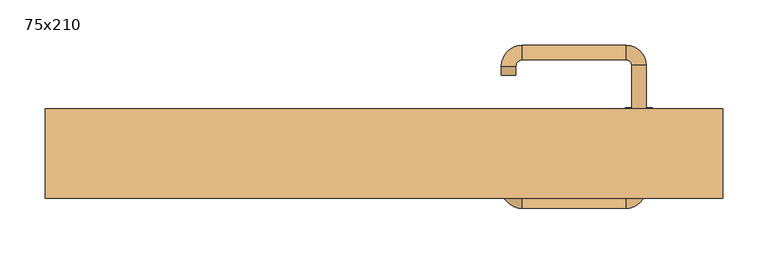
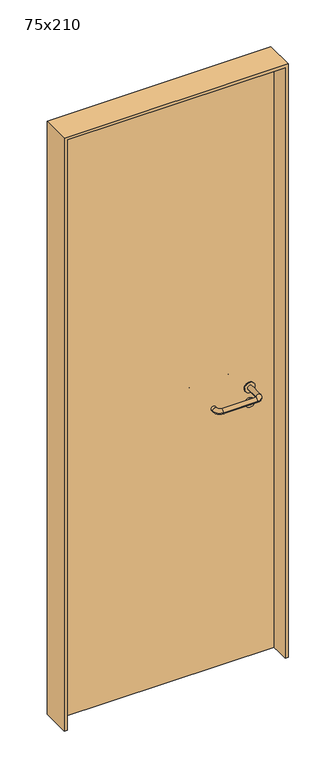
"""IFC4 building model written with IfcOpenShell, lengths in millimetres: door geometry, 75x210."""

from ifc_helpers import new_model, si_unit, point, frame, frame_2d, origin, origin_with_axes, place, context, project, spatial, polyline, circle_curve, ellipse_curve, trimmed, segment, composite_curve, outline, extrude, source, transform, mapped, element, save
from ifc_brep_helpers import plane_surface, cylinder_surface, revolved_surface, advanced_brep


def door_75x210_782f1913(model_context):
    return source(origin(), model_context, "Body", "SolidModel", [
        extrude(outline(composite_curve([segment(trimmed(circle_curve(frame_2d((897.3605726, 282.0)), 15.0), [point((897.3605726, 297.0))], [point((897.3605726, 267.0))], False, "CARTESIAN"), True, "CONTINUOUS"), segment(trimmed(circle_curve(frame_2d((897.3605726, 282.0)), 15.0), [point((897.3605726, 267.0))], [point((897.3605726, 297.0))], False, "CARTESIAN"), True, "CONTINUOUS")], self_intersect=False), holes=[composite_curve([segment(trimmed(circle_curve(frame_2d((892.5833211, 281.9398032)), 2.0), [point((892.5833211, 283.9398032))], [point((892.5833211, 279.9398032))], True, "CARTESIAN"), True, "CONTINUOUS"), segment(polyline([(892.5833211, 279.9398032), (902.5833211, 279.9398032)]), True, "CONTINUOUS"), segment(trimmed(circle_curve(frame_2d((902.5833211, 281.9398032)), 2.0), [point((902.5833211, 279.9398032))], [point((902.5833211, 283.9398032))], True, "CARTESIAN"), True, "CONTINUOUS"), segment(polyline([(902.5833211, 283.9398032), (892.5833211, 283.9398032)]), True, "CONTINUOUS")], self_intersect=False)]), frame((0.0, 8.65, 0.0), z_axis=(0.0, 1.0, 0.0), x_axis=(0.0, 0.0, 1.0)), (0.0, 0.0, 1.0), 6.35),
        extrude(outline(composite_curve([segment(trimmed(circle_curve(frame_2d((950.0, 282.0)), 17.526), [point((950.0, 299.526))], [point((950.0, 264.474))], False, "CARTESIAN"), True, "CONTINUOUS"), segment(trimmed(circle_curve(frame_2d((950.0, 282.0)), 17.526), [point((950.0, 264.474))], [point((950.0, 299.526))], False, "CARTESIAN"), True, "CONTINUOUS")], self_intersect=False)), frame((0.0, 11.825, 0.0), z_axis=(0.0, 1.0, 0.0), x_axis=(0.0, 0.0, 1.0)), (0.0, 0.0, 1.0), 3.175),
        advanced_brep(
        [(290.0, 15.0, 950.0), (274.0, 15.0, 950.0), (274.0, -38.0, 950.0), (290.0, -38.0, 950.0), (267.8578644, -44.1421356, 950.0), (267.8578644, -60.1421356, 950.0), (152.8578644, -44.1421356, 950.0), (152.8578644, -60.1421356, 950.0), (146.008622, -37.2928932, 950.0), (130.008622, -37.2928932, 950.0), (130.008622, -27.2928932, 950.0), (146.008622, -27.2928932, 950.0)],
        [
            (0, 1, circle_curve(frame((282.0, 15.0, 950.0), z_axis=(0.0, 1.0, 0.0), x_axis=(-1.0, 0.0, 0.0)), 8.0)),
            (1, 0, circle_curve(frame((282.0, 15.0, 950.0), z_axis=(0.0, 1.0, 0.0), x_axis=(-1.0, 0.0, 0.0)), 8.0)),
            (1, 2),
            (2, 3, circle_curve(frame((282.0, -38.0, 950.0), z_axis=(0.0, 1.0, 0.0), x_axis=(-1.0, 0.0, 0.0)), 8.0)),
            (3, 0),
            (3, 2, circle_curve(frame((282.0, -38.0, 950.0), z_axis=(0.0, 1.0, 0.0), x_axis=(-1.0, 0.0, 0.0)), 8.0)),
            (4, 5, circle_curve(frame((267.8578644, -52.1421356, 950.0), z_axis=(1.0, 0.0, 0.0), x_axis=(0.0, 1.0, 0.0)), 8.0)),
            (5, 3, circle_curve(frame((267.8578644, -38.0, 950.0), z_axis=(0.0, 0.0, 1.0), x_axis=(1.0, 0.0, 0.0)), 22.1421356)),
            (2, 4, circle_curve(frame((267.8578644, -38.0, 950.0), z_axis=(0.0, 0.0, -1.0), x_axis=(1.0, 0.0, 0.0)), 6.1421356)),
            (5, 4, circle_curve(frame((267.8578644, -52.1421356, 950.0), z_axis=(1.0, 0.0, 0.0), x_axis=(0.0, 1.0, 0.0)), 8.0)),
            (4, 6),
            (6, 7, circle_curve(frame((152.8578644, -52.1421356, 950.0), z_axis=(1.0, 0.0, 0.0), x_axis=(0.0, 1.0, 0.0)), 8.0)),
            (7, 5),
            (7, 6, circle_curve(frame((152.8578644, -52.1421356, 950.0), z_axis=(1.0, 0.0, 0.0), x_axis=(0.0, 1.0, 0.0)), 8.0)),
            (8, 9, circle_curve(frame((138.008622, -37.2928932, 950.0), z_axis=(0.0, -1.0, 0.0), x_axis=(1.0, 0.0, 0.0)), 8.0)),
            (9, 7, circle_curve(frame((152.8578644, -37.2928932, 950.0), z_axis=(0.0, 0.0, 1.0), x_axis=(0.0, -1.0, 0.0)), 22.8492424)),
            (6, 8, circle_curve(frame((152.8578644, -37.2928932, 950.0), z_axis=(0.0, 0.0, -1.0), x_axis=(0.0, -1.0, 0.0)), 6.8492424)),
            (9, 8, circle_curve(frame((138.008622, -37.2928932, 950.0), z_axis=(0.0, -1.0, 0.0), x_axis=(1.0, 0.0, 0.0)), 8.0)),
            (10, 11, circle_curve(frame((138.008622, -27.2928932, 950.0), z_axis=(0.0, 1.0, 0.0), x_axis=(1.0, 0.0, 0.0)), 8.0)),
            (11, 10, circle_curve(frame((138.008622, -27.2928932, 950.0), z_axis=(0.0, 1.0, 0.0), x_axis=(1.0, 0.0, 0.0)), 8.0)),
            (8, 11),
            (10, 9),
        ],
        [
            plane_surface(frame((282.0, 15.0, 0.0), z_axis=(0.0, 1.0, 0.0), x_axis=(0.0, 0.0, 1.0))),
            cylinder_surface(frame((282.0, 15.0, 950.0), z_axis=(0.0, 1.0, 0.0), x_axis=(-1.0, 0.0, 0.0)), 8.0),
            revolved_surface(trimmed(ellipse_curve(frame((282.0, -38.0, 950.0), z_axis=(0.0, -1.0, 0.0), x_axis=(-1.0, 0.0, 0.0)), 8.0, 8.0), [point((290.0, -38.0, 950.0))], [point((274.0, -38.0, 950.0))], True, "CARTESIAN"), (267.8578644, -38.0, 0.0), (0.0, 0.0, 1.0)),
            revolved_surface(trimmed(ellipse_curve(frame((282.0, -38.0, 950.0), z_axis=(0.0, -1.0, 0.0), x_axis=(-1.0, 0.0, 0.0)), 8.0, 8.0), [point((274.0, -38.0, 950.0))], [point((290.0, -38.0, 950.0))], True, "CARTESIAN"), (267.8578644, -38.0, 0.0), (0.0, 0.0, 1.0)),
            cylinder_surface(frame((267.8578644, -52.1421356, 950.0), z_axis=(1.0, 0.0, 0.0), x_axis=(0.0, 1.0, 0.0)), 8.0),
            revolved_surface(trimmed(ellipse_curve(frame((152.8578644, -52.1421356, 950.0), z_axis=(-1.0, 0.0, 0.0), x_axis=(0.0, 1.0, 0.0)), 8.0, 8.0), [point((152.8578644, -60.1421356, 950.0))], [point((152.8578644, -44.1421356, 950.0))], True, "CARTESIAN"), (152.8578644, -37.2928932, 0.0), (0.0, 0.0, 1.0)),
            revolved_surface(trimmed(ellipse_curve(frame((152.8578644, -52.1421356, 950.0), z_axis=(-1.0, 0.0, 0.0), x_axis=(0.0, 1.0, 0.0)), 8.0, 8.0), [point((152.8578644, -44.1421356, 950.0))], [point((152.8578644, -60.1421356, 950.0))], True, "CARTESIAN"), (152.8578644, -37.2928932, 0.0), (0.0, 0.0, 1.0)),
            plane_surface(frame((138.008622, -27.2928932, 0.0), z_axis=(0.0, 1.0, 0.0), x_axis=(0.0, 0.0, 1.0))),
            cylinder_surface(frame((138.008622, -37.2928932, 950.0), z_axis=(0.0, -1.0, 0.0), x_axis=(1.0, 0.0, 0.0)), 8.0),
        ],
        [
            (0, [[1, 2]]),
            (1, [[3, 4, 5, -2]]),
            (1, [[-5, 6, -3, -1]]),
            (2, [[7, 8, -4, 9]]),
            (3, [[10, -9, -6, -8]]),
            (4, [[11, 12, 13, -7]]),
            (4, [[-13, 14, -11, -10]]),
            (5, [[15, 16, -12, 17]]),
            (6, [[18, -17, -14, -16]]),
            (7, [[19, 20]]),
            (8, [[21, -19, 22, -15]]),
            (8, [[-22, -20, -21, -18]]),
        ],
    ),
        extrude(outline(composite_curve([segment(trimmed(circle_curve(frame_2d((0.0, -15.0)), 15.0), [point((0.0, -30.0))], [point((0.0, 0.0))], False, "CARTESIAN"), True, "CONTINUOUS"), segment(trimmed(circle_curve(frame_2d((0.0, -15.0)), 15.0), [point((0.0, 0.0))], [point((0.0, -30.0))], False, "CARTESIAN"), True, "CONTINUOUS")], self_intersect=False), holes=[composite_curve([segment(trimmed(circle_curve(frame_2d((4.7772515, -14.9398032)), 2.0), [point((4.7772515, -16.9398032))], [point((4.7772515, -12.9398032))], True, "CARTESIAN"), True, "CONTINUOUS"), segment(polyline([(4.7772515, -12.9398032), (-5.2227485, -12.9398032)]), True, "CONTINUOUS"), segment(trimmed(circle_curve(frame_2d((-5.2227485, -14.9398032)), 2.0), [point((-5.2227485, -12.9398032))], [point((-5.2227485, -16.9398032))], True, "CARTESIAN"), True, "CONTINUOUS"), segment(polyline([(-5.2227485, -16.9398032), (4.7772515, -16.9398032)]), True, "CONTINUOUS")], self_intersect=False)]), frame((267.0, 45.0, 897.3605726), z_axis=(1.8870575173328306e-12, 1.0, 0.0), x_axis=(0.0, 0.0, -1.0)), (0.0, 0.0, 1.0), 6.35),
        extrude(outline(composite_curve([segment(trimmed(circle_curve(frame_2d((0.0, -17.526)), 17.526), [point((0.0, -35.052))], [point((0.0, 0.0))], False, "CARTESIAN"), True, "CONTINUOUS"), segment(trimmed(circle_curve(frame_2d((0.0, -17.526)), 17.526), [point((0.0, 0.0))], [point((0.0, -35.052))], False, "CARTESIAN"), True, "CONTINUOUS")], self_intersect=False)), frame((264.474, 45.0, 950.0), z_axis=(1.8870575173328306e-12, 1.0, 0.0), x_axis=(0.0, 0.0, -1.0)), (0.0, 0.0, 1.0), 3.175),
        advanced_brep(
        [(290.0, 45.0, 950.0), (274.0, 45.0, 950.0), (290.0, 98.0, 950.0), (274.0, 98.0, 950.0), (267.8578644, 104.1421356, 950.0), (267.8578644, 120.1421356, 950.0), (152.8578644, 120.1421356, 950.0), (152.8578644, 104.1421356, 950.0), (146.008622, 97.2928932, 950.0), (130.008622, 97.2928932, 950.0), (130.008622, 87.2928932, 950.0), (146.008622, 87.2928932, 950.0)],
        [
            (0, 1, circle_curve(frame((282.0, 45.0, 950.0), z_axis=(-1.888672253512351e-12, -1.0, 0.0), x_axis=(-1.0, 1.888672253512351e-12, 0.0)), 8.0)),
            (1, 0, circle_curve(frame((282.0, 45.0, 950.0), z_axis=(-1.888672253512351e-12, -1.0, 0.0), x_axis=(-1.0, 1.888672253512351e-12, 0.0)), 8.0)),
            (0, 2),
            (2, 3, circle_curve(frame((282.0, 98.0, 950.0), z_axis=(-1.888672253512351e-12, -1.0, 0.0), x_axis=(-1.0, 1.888672253512351e-12, 0.0)), 8.0)),
            (3, 1),
            (3, 2, circle_curve(frame((282.0, 98.0, 950.0), z_axis=(-1.888672253512351e-12, -1.0, 0.0), x_axis=(-1.0, 1.888672253512351e-12, 0.0)), 8.0)),
            (4, 3, circle_curve(frame((267.8578644, 98.0, 950.0), z_axis=(0.0, 0.0, -1.0), x_axis=(1.0, -1.880717803715015e-12, 0.0)), 6.1421356)),
            (2, 5, circle_curve(frame((267.8578644, 98.0, 950.0), z_axis=(0.0, 0.0, 1.0), x_axis=(1.0, -1.880717803715015e-12, 0.0)), 22.1421356)),
            (5, 4, circle_curve(frame((267.8578644, 112.1421356, 950.0), z_axis=(1.0, -1.913702061528922e-12, 0.0), x_axis=(-1.913702061528922e-12, -1.0, 0.0)), 8.0)),
            (4, 5, circle_curve(frame((267.8578644, 112.1421356, 950.0), z_axis=(1.0, -1.913702061528922e-12, 0.0), x_axis=(-1.913702061528922e-12, -1.0, 0.0)), 8.0)),
            (5, 6),
            (6, 7, circle_curve(frame((152.8578644, 112.1421356, 950.0), z_axis=(1.0, -1.913719828541269e-12, 0.0), x_axis=(-1.913719828541269e-12, -1.0, 0.0)), 8.0)),
            (7, 4),
            (7, 6, circle_curve(frame((152.8578644, 112.1421356, 950.0), z_axis=(1.0, -1.913719828541269e-12, 0.0), x_axis=(-1.913719828541269e-12, -1.0, 0.0)), 8.0)),
            (8, 7, circle_curve(frame((152.8578644, 97.2928932, 950.0), z_axis=(0.0, 0.0, -1.0), x_axis=(1.9120873253494017e-12, 1.0, 0.0)), 6.8492424)),
            (6, 9, circle_curve(frame((152.8578644, 97.2928932, 950.0), z_axis=(0.0, 0.0, 1.0), x_axis=(1.9120873253494017e-12, 1.0, 0.0)), 22.8492424)),
            (9, 8, circle_curve(frame((138.008622, 97.2928932, 950.0), z_axis=(1.890448610351751e-12, 1.0, 0.0), x_axis=(1.0, -1.890448610351751e-12, 0.0)), 8.0)),
            (8, 9, circle_curve(frame((138.008622, 97.2928932, 950.0), z_axis=(1.8888942981172756e-12, 1.0, 0.0), x_axis=(1.0, -1.8888942981172756e-12, 0.0)), 8.0)),
            (10, 11, circle_curve(frame((138.008622, 87.2928932, 950.0), z_axis=(-1.8903642334018795e-12, -1.0, 0.0), x_axis=(1.0, -1.8903642334018795e-12, 0.0)), 8.0)),
            (11, 10, circle_curve(frame((138.008622, 87.2928932, 950.0), z_axis=(-1.8903642334018795e-12, -1.0, 0.0), x_axis=(1.0, -1.8903642334018795e-12, 0.0)), 8.0)),
            (9, 10),
            (11, 8),
        ],
        [
            plane_surface(frame((282.0, 45.0, 0.0), z_axis=(-1.8870575173328306e-12, -1.0, 0.0), x_axis=(0.0, 0.0, 1.0))),
            cylinder_surface(frame((282.0, 45.0, 950.0), z_axis=(-1.888672253512351e-12, -1.0, 0.0), x_axis=(-1.0, 1.888672253512351e-12, 0.0)), 8.0),
            revolved_surface(trimmed(ellipse_curve(frame((282.0, 98.0, 950.0), z_axis=(-1.8823325398945356e-12, -1.0, 0.0), x_axis=(-1.0, 1.8823325398945356e-12, 0.0)), 8.0, 8.0), [point((290.0, 98.0, 950.0))], [point((274.0, 98.0, 950.0))], True, "CARTESIAN"), (267.8578644, 98.0, 0.0), (0.0, 0.0, 1.0)),
            revolved_surface(trimmed(ellipse_curve(frame((282.0, 98.0, 950.0), z_axis=(-1.8823325398945356e-12, -1.0, 0.0), x_axis=(-1.0, 1.8823325398945356e-12, 0.0)), 8.0, 8.0), [point((274.0, 98.0, 950.0))], [point((290.0, 98.0, 950.0))], True, "CARTESIAN"), (267.8578644, 98.0, 0.0), (0.0, 0.0, 1.0)),
            cylinder_surface(frame((267.8578644, 112.1421356, 950.0), z_axis=(1.0, -1.913719828541269e-12, 0.0), x_axis=(-1.913719828541269e-12, -1.0, 0.0)), 8.0),
            revolved_surface(trimmed(ellipse_curve(frame((152.8578644, 112.1421356, 950.0), z_axis=(1.0, -1.913702061528922e-12, 0.0), x_axis=(-1.913702061528922e-12, -1.0, 0.0)), 8.0, 8.0), [point((152.8578644, 120.1421356, 950.0))], [point((152.8578644, 104.1421356, 950.0))], True, "CARTESIAN"), (152.8578644, 97.2928932, 0.0), (0.0, 0.0, 1.0)),
            revolved_surface(trimmed(ellipse_curve(frame((152.8578644, 112.1421356, 950.0), z_axis=(1.0, -1.913702061528922e-12, 0.0), x_axis=(-1.913702061528922e-12, -1.0, 0.0)), 8.0, 8.0), [point((152.8578644, 104.1421356, 950.0))], [point((152.8578644, 120.1421356, 950.0))], True, "CARTESIAN"), (152.8578644, 97.2928932, 0.0), (0.0, 0.0, 1.0)),
            plane_surface(frame((138.008622, 87.2928932, 0.0), z_axis=(-1.8887494972223595e-12, -1.0, 0.0), x_axis=(0.0, 0.0, 1.0))),
            cylinder_surface(frame((138.008622, 97.2928932, 950.0), z_axis=(1.8903642334018795e-12, 1.0, 0.0), x_axis=(1.0, -1.8903642334018795e-12, 0.0)), 8.0),
        ],
        [
            (0, [[1, 2]]),
            (1, [[-1, 3, 4, 5]]),
            (1, [[-2, -5, 6, -3]]),
            (2, [[7, -4, 8, 9]]),
            (3, [[-8, -6, -7, 10]]),
            (4, [[-9, 11, 12, 13]]),
            (4, [[-10, -13, 14, -11]]),
            (5, [[15, -12, 16, 17]]),
            (6, [[-16, -14, -15, 18]]),
            (7, [[19, 20]]),
            (8, [[-17, 21, -20, 22]]),
            (8, [[-18, -22, -19, -21]]),
        ],
    ),
        extrude(outline(polyline([(2090.0, 365.0), (0.0, 365.0), (0.0, 375.0), (2100.0, 375.0), (2100.0, -375.0), (0.0, -375.0), (0.0, -365.0), (2090.0, -365.0), (2090.0, 365.0)])), frame((0.0, -49.0, 0.0), z_axis=(0.0, 1.0, 0.0), x_axis=(0.0, 0.0, 1.0)), (0.0, 0.0, 1.0), 99.0),
        extrude(outline(polyline([(-365.0, 45.0), (365.0, 45.0), (365.0, 15.0), (-365.0, 15.0), (-365.0, 45.0)])), origin_with_axes(), (0.0, 0.0, 1.0), 2090.0),
    ])


if __name__ == "__main__":
    model = new_model("IFC4")
    model_context = context("Model", 3, world=origin())
    ifc_project = project(units=[si_unit("LENGTHUNIT", "METRE", prefix="MILLI")], contexts=[model_context])
    site = spatial("IfcSite", under=ifc_project)
    building = spatial("IfcBuilding", under=site)
    placement = place(None, origin())
    door_75x210_shape = door_75x210_782f1913(model_context)
    element("IfcDoor", 1, ObjectType="75x210", at=placement, inside=building, context=model_context, shape_type="MappedRepresentation", body=[
        mapped(door_75x210_shape, transform((0.0, 0.0, 0.0), x_axis=(1.0, 0.0, 0.0), y_axis=(0.0, 1.0, 0.0), z_axis=(0.0, 0.0, 1.0))),
    ])
    save(model, "model.ifc")
